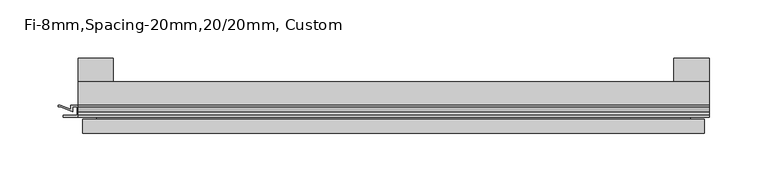
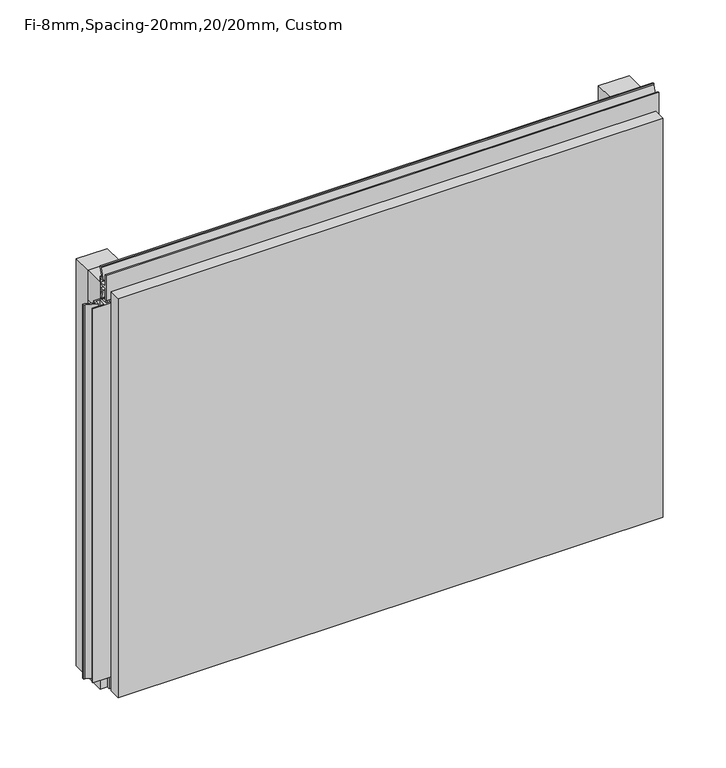
"""IFC4 building model written with IfcOpenShell, lengths in millimetres: plate geometry, Fi-8mm,Spacing-20mm,20/20mm, Custom."""

from ifc_helpers import new_model, si_unit, frame, origin, origin_with_axes, place, context, project, spatial, polyline, outline, extrude, faceted_brep, source, transform, mapped, element, save


def fi_8mm_spacing_20mm_20_20mm_custom_379a8fd2(model_context):
    return source(origin(), model_context, "Body", "SolidModel", [
        extrude(outline(polyline([(-270.0, -40.0), (-270.0, -20.0), (270.0, -20.0), (270.0, -40.0), (-270.0, -40.0)])), frame((0.0, 0.0, 390.0), z_axis=(0.0, 0.0, 1.0), x_axis=(1.0, 0.0, 0.0)), (0.0, 0.0, 1.0), 30.0),
        extrude(outline(polyline([(-270.0, -40.0), (-270.0, -20.0), (270.0, -20.0), (270.0, -40.0), (-270.0, -40.0)])), origin_with_axes(), (0.0, 0.0, 1.0), 30.0),
        extrude(outline(polyline([(240.0, 0.0), (270.0, 0.0), (270.0, -20.0), (240.0, -20.0), (240.0, 0.0)])), origin_with_axes(), (0.0, 0.0, 1.0), 420.0),
        extrude(outline(polyline([(-240.0, 0.0), (-240.0, -20.0), (-270.0, -20.0), (-270.0, 0.0), (-240.0, 0.0)])), origin_with_axes(), (0.0, 0.0, 1.0), 420.0),
        extrude(outline(polyline([(263.700916, -40.0), (270.0, -40.0), (270.0, -50.1), (256.5843193, -50.1), (256.5843193, -48.7), (268.5843193, -48.7), (268.5843193, -41.4), (265.100916, -41.4), (265.100916, -45.5140545), (254.4296606, -41.4553267), (247.008452, -41.4553267), (247.008452, -40.0553267), (254.6441401, -40.0553267), (263.700916, -43.5), (263.700916, -40.0)])), frame((0.0, 0.0, 16.9558599), z_axis=(0.0, 0.0, 1.0), x_axis=(1.0, 0.0, 0.0)), (0.0, 0.0, 1.0), 386.0882802),
        extrude(outline(polyline([(-270.899084, -48.7), (-270.899084, -41.4), (-274.899084, -41.4), (-274.899084, -45.5140545), (-285.5703394, -41.4553267), (-286.9558599, -41.4553267), (-286.9558599, -40.0553267), (-285.3558599, -40.0553267), (-276.299084, -43.5), (-276.299084, -40.0), (-263.700916, -40.0), (-263.700916, -43.5), (-254.6441401, -40.0553267), (-253.0441401, -40.0553267), (-253.0441401, -41.4553267), (-254.4296606, -41.4553267), (-265.100916, -45.5140545), (-265.100916, -41.4), (-269.100916, -41.4), (-269.100916, -48.7), (-257.100916, -48.7), (-257.100916, -50.1), (-282.899084, -50.1), (-282.899084, -48.7), (-270.899084, -48.7)])), frame((0.0, 0.0, 16.9558599), z_axis=(0.0, 0.0, 1.0), x_axis=(1.0, 0.0, 0.0)), (0.0, 0.0, 1.0), 386.0882802),
        extrude(outline(polyline([(-48.7, 420.899084), (-41.4, 420.899084), (-41.4, 424.899084), (-45.5140545, 424.899084), (-41.4553267, 435.5703394), (-41.4553267, 436.9558599), (-40.0553267, 436.9558599), (-40.0553267, 435.3558599), (-43.5, 426.299084), (-40.0, 426.299084), (-40.0, 413.700916), (-43.5, 413.700916), (-40.0553267, 404.6441401), (-40.0553267, 403.0441401), (-41.4553267, 403.0441401), (-41.4553267, 404.4296606), (-45.5140545, 415.100916), (-41.4, 415.100916), (-41.4, 419.100916), (-48.7, 419.100916), (-48.7, 407.100916), (-50.1, 407.100916), (-50.1, 432.899084), (-48.7, 432.899084), (-48.7, 420.899084)])), frame((-270.0, 0.0, 0.0), z_axis=(1.0, 0.0, 0.0), x_axis=(0.0, 1.0, 0.0)), (0.0, 0.0, 1.0), 540.0),
        faceted_brep([(266.0, -45.9, 416.0), (-266.0, -45.9, 416.0), (-266.0, -48.7, 416.0), (266.0, -48.7, 416.0), (-266.0, -63.9, 416.0), (266.0, -63.9, 416.0), (266.0, -51.9, 416.0), (-266.0, -51.9, 416.0), (-266.0, -45.9, 4.0), (266.0, -45.9, 4.0), (266.0, -48.7, 4.0), (-266.0, -48.7, 4.0), (266.0, -63.9, 4.0), (-266.0, -63.9, 4.0), (-266.0, -51.9, 4.0), (266.0, -51.9, 4.0), (254.0, -51.9, 404.0), (254.0, -51.9, 16.0), (254.0, -48.7, 16.0), (254.0, -48.7, 404.0), (-254.0, -51.9, 16.0), (-254.0, -48.7, 16.0), (-254.0, -51.9, 404.0), (-254.0, -48.7, 404.0)], [[[0, 1, 2, 3]], [[4, 5, 6, 7]], [[8, 9, 10, 11]], [[12, 13, 14, 15]], [[1, 0, 9, 8]], [[1, 8, 11, 2]], [[13, 4, 7, 14]], [[5, 4, 13, 12]], [[9, 0, 3, 10]], [[5, 12, 15, 6]], [[16, 17, 18, 19]], [[18, 17, 20, 21]], [[21, 20, 22, 23]], [[16, 19, 23, 22]], [[7, 6, 15, 14], [17, 16, 22, 20]], [[3, 2, 11, 10], [19, 18, 21, 23]]]),
    ])


if __name__ == "__main__":
    model = new_model("IFC4")
    model_context = context("Model", 3, world=origin())
    ifc_project = project(units=[si_unit("LENGTHUNIT", "METRE", prefix="MILLI")], contexts=[model_context])
    site = spatial("IfcSite", under=ifc_project)
    building = spatial("IfcBuilding", under=site)
    placement = place(None, origin())
    fi_8mm_spacing_20mm_20_20mm_custom_shape = fi_8mm_spacing_20mm_20_20mm_custom_379a8fd2(model_context)
    element("IfcPlate", 1, ObjectType="Fi-8mm,Spacing-20mm,20/20mm, Custom", at=placement, inside=building, context=model_context, shape_type="MappedRepresentation", body=[
        mapped(fi_8mm_spacing_20mm_20_20mm_custom_shape, transform((0.0, 0.0, 0.0), x_axis=(1.0, 0.0, 0.0), y_axis=(0.0, 1.0, 0.0), z_axis=(0.0, 0.0, 1.0))),
    ])
    save(model, "model.ifc")
